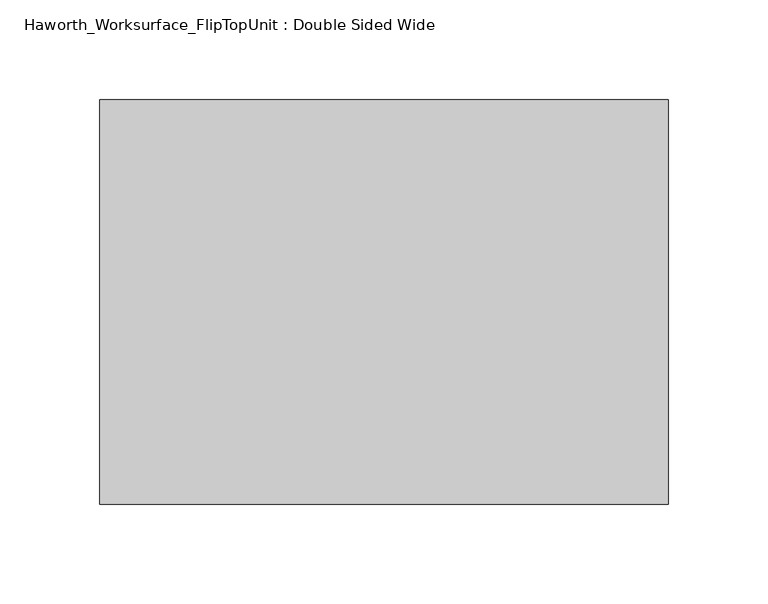
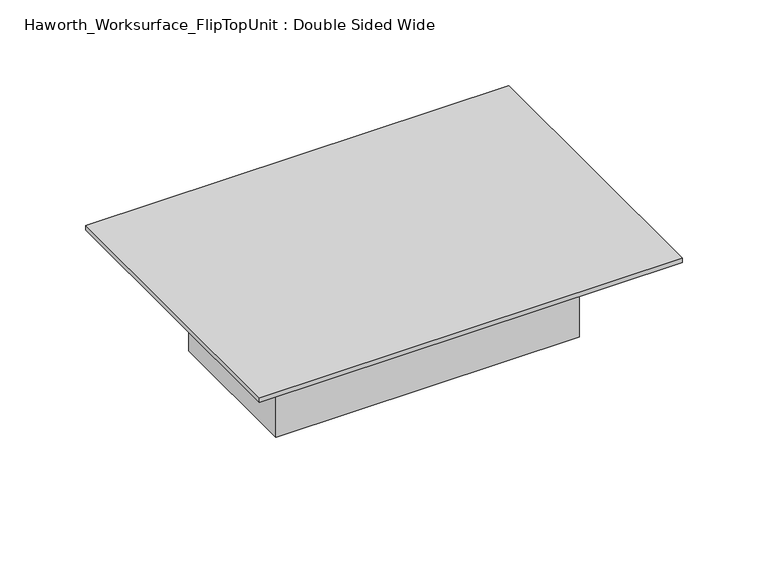
"""IFC4 building model written with IfcOpenShell, lengths in millimetres: furniture geometry, Haworth_Worksurface_FlipTopUnit : Double Sided Wide."""

from ifc_helpers import new_model, si_unit, origin, place, context, project, spatial, faceted_brep, source, transform, mapped, element, save


def haworth_worksurface_fliptopunit_double_sided_wide_e50d2fcb(model_context):
    return source(origin(), model_context, "Body", "Brep", [
        faceted_brep([(157.3624199, -102.9331298, 3.175), (157.3624199, 100.2668702, 3.175), (-128.3875801, 100.2668702, 3.175), (-128.3875801, -102.9331298, 3.175), (157.3624199, -102.9331298, 0.0), (-128.3875801, -102.9331298, 0.0), (-128.3875801, 100.2668702, 0.0), (157.3624199, 100.2668702, 0.0), (116.8811699, -52.1331298, 0.0), (116.8811699, 49.4668702, 0.0), (-87.9063301, 49.4668702, 0.0), (-87.9063301, -52.1331298, 0.0), (116.8811699, -52.1331298, -69.85), (-87.9063301, -52.1331298, -69.85), (-87.9063301, 49.4668702, -69.85), (116.8811699, 49.4668702, -69.85)], [[[0, 1, 2, 3]], [[4, 5, 6, 7], [8, 9, 10, 11]], [[3, 5, 4, 0]], [[2, 6, 5, 3]], [[1, 7, 6, 2]], [[0, 4, 7, 1]], [[12, 13, 14, 15]], [[12, 8, 11, 13]], [[13, 11, 10, 14]], [[14, 10, 9, 15]], [[15, 9, 8, 12]]]),
    ])


if __name__ == "__main__":
    model = new_model("IFC4")
    model_context = context("Model", 3, world=origin())
    ifc_project = project(units=[si_unit("LENGTHUNIT", "METRE", prefix="MILLI")], contexts=[model_context])
    site = spatial("IfcSite", under=ifc_project)
    building = spatial("IfcBuilding", under=site)
    placement = place(None, origin())
    haworth_worksurface_fliptopunit_double_sided_wide_shape = haworth_worksurface_fliptopunit_double_sided_wide_e50d2fcb(model_context)
    element("IfcFurniture", 1, ObjectType="Haworth_Worksurface_FlipTopUnit : Double Sided Wide", at=placement, inside=building, context=model_context, shape_type="MappedRepresentation", body=[
        mapped(haworth_worksurface_fliptopunit_double_sided_wide_shape, transform((0.0, 0.0, 0.0), x_axis=(1.0, 0.0, 0.0), y_axis=(0.0, 1.0, 0.0), z_axis=(0.0, 0.0, 1.0))),
    ])
    save(model, "model.ifc")
